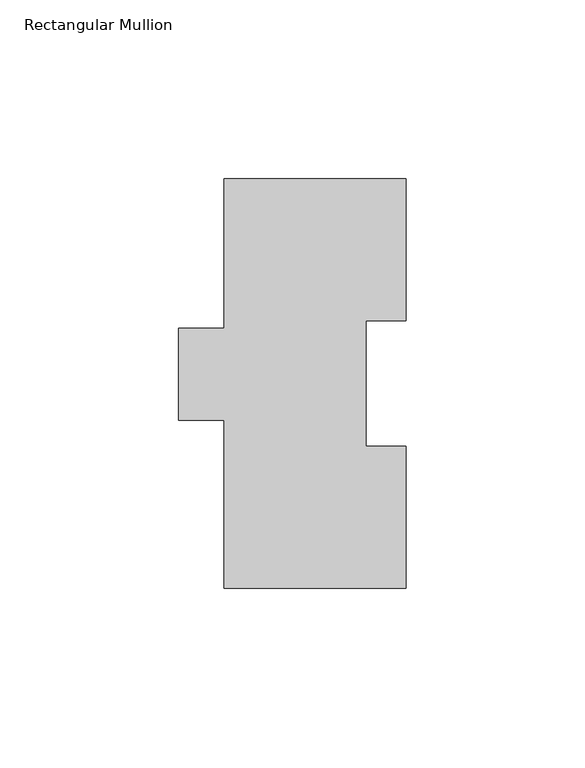
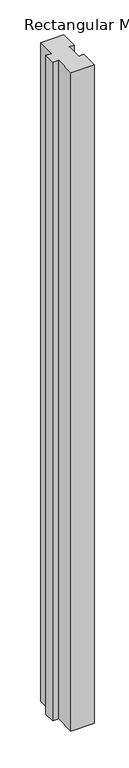
"""IFC4 building model written with IfcOpenShell, lengths in millimetres: member geometry, Rectangular Mullion."""

from ifc_helpers import new_model, si_unit, frame, origin, place, context, project, spatial, polyline, outline, extrude, source, transform, mapped, element, save


def rectangular_mullion_8607b62f(model_context):
    return source(origin(), model_context, "Body", "SweptSolid", [
        extrude(outline(polyline([(25.4, 114.271425), (25.4, 74.596625), (14.2875, 74.596625), (14.2875, 39.646225), (25.4, 39.646225), (25.4, -0.028575), (-25.4, -0.028575), (-25.4, 46.802675), (-38.1, 46.802675), (-38.1, 72.564625), (-25.4, 72.564625), (-25.4, 114.271425), (25.4, 114.271425)])), frame((0.0, 0.0, -1524.0), z_axis=(0.0, 0.0, 1.0), x_axis=(1.0, 0.0, 0.0)), (0.0, 0.0, 1.0), 1524.0),
    ])


if __name__ == "__main__":
    model = new_model("IFC4")
    model_context = context("Model", 3, world=origin())
    ifc_project = project(units=[si_unit("LENGTHUNIT", "METRE", prefix="MILLI")], contexts=[model_context])
    site = spatial("IfcSite", under=ifc_project)
    building = spatial("IfcBuilding", under=site)
    placement = place(None, origin())
    rectangular_mullion_shape = rectangular_mullion_8607b62f(model_context)
    element("IfcMember", 1, ObjectType="Rectangular Mullion", at=placement, inside=building, context=model_context, shape_type="MappedRepresentation", body=[
        mapped(rectangular_mullion_shape, transform((0.0, 0.0, 0.0), x_axis=(1.0, 0.0, 0.0), y_axis=(0.0, 1.0, 0.0), z_axis=(0.0, 0.0, 1.0))),
    ])
    save(model, "model.ifc")
